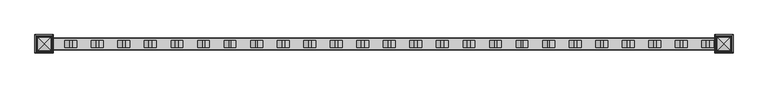
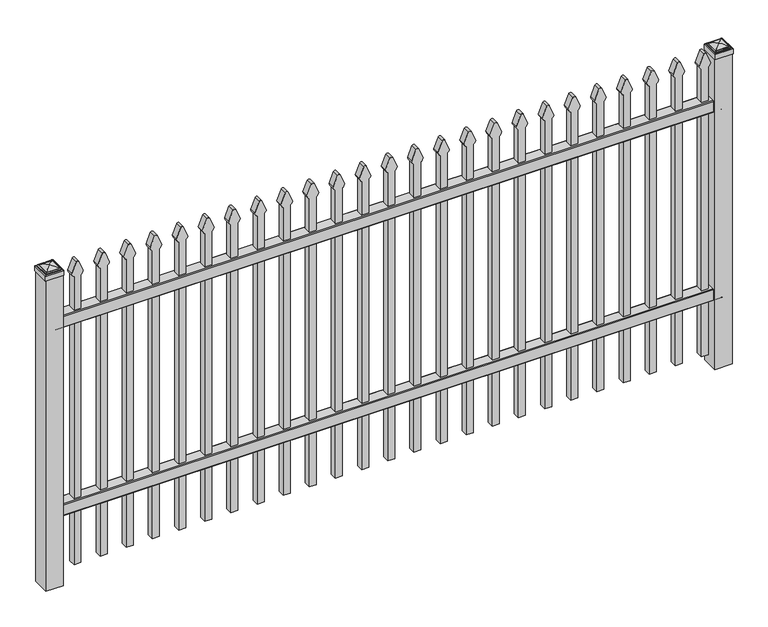
"""IFC4 building model written with IfcOpenShell, lengths in millimetres: railing geometry."""

from ifc_helpers import new_model, si_unit, point, frame, frame_2d, origin, origin_with_axes, place, context, project, spatial, polyline, circle_curve, ellipse_curve, trimmed, segment, composite_curve, outline, extrude, source, transform, mapped, element, save
from ifc_brep_helpers import plane_surface, cylinder_surface, advanced_brep


def railing_026a8ec8(model_context):
    return source(origin(), model_context, "Body", "SolidModel", [
        extrude(outline(composite_curve([segment(polyline([(13397.9139761, 304.8), (13435.969541, 304.8)]), True, "CONTINUOUS"), segment(trimmed(circle_curve(frame_2d((13435.969541, 301.625)), 3.175), [point((13435.969541, 304.8))], [point((13439.144541, 301.625))], False, "CARTESIAN"), True, "CONTINUOUS"), segment(polyline([(13439.144541, 301.625), (13439.144541, 262.1439893)]), True, "CONTINUOUS"), segment(trimmed(circle_curve(frame_2d((13437.3505518, 262.1439893)), 1.7939893), [point((13439.144541, 262.1439893))], [point((13437.3505518, 260.35))], False, "CARTESIAN"), True, "CONTINUOUS"), segment(polyline([(13437.3505518, 260.35), (13434.7590713, 260.35)]), True, "CONTINUOUS"), segment(trimmed(circle_curve(frame_2d((13434.7590713, 262.1359375)), 1.7859375), [point((13434.7590713, 260.35))], [point((13432.9755813, 262.0424688))], False, "CARTESIAN"), True, "CONTINUOUS"), segment(polyline([(13432.9755813, 262.0424688), (13431.4025867, 292.0569942), (13402.4364954, 292.0569942), (13400.8635007, 262.0424688)]), True, "CONTINUOUS"), segment(trimmed(circle_curve(frame_2d((13399.0800108, 262.1359375)), 1.7859375), [point((13400.8635007, 262.0424688))], [point((13399.0800108, 260.35))], False, "CARTESIAN"), True, "CONTINUOUS"), segment(polyline([(13399.0800108, 260.35), (13396.4804785, 260.35)]), True, "CONTINUOUS"), segment(trimmed(circle_curve(frame_2d((13396.4804785, 262.1359375)), 1.7859375), [point((13396.4804785, 260.35))], [point((13394.694541, 262.1359375))], False, "CARTESIAN"), True, "CONTINUOUS"), segment(polyline([(13394.694541, 262.1359375), (13394.694541, 301.5805649)]), True, "CONTINUOUS"), segment(trimmed(circle_curve(frame_2d((13397.9139761, 301.5805649)), 3.2194351), [point((13394.694541, 301.5805649))], [point((13397.9139761, 304.8))], False, "CARTESIAN"), True, "CONTINUOUS")], self_intersect=False)), frame((-33015.4649936, 0.0, 0.0), z_axis=(1.0, 0.0, 0.0), x_axis=(0.0, 1.0, 0.0)), (0.0, 0.0, 1.0), 2438.4),
        extrude(outline(composite_curve([segment(polyline([(13397.9139761, 1030.2875), (13435.969541, 1030.2875)]), True, "CONTINUOUS"), segment(trimmed(circle_curve(frame_2d((13435.969541, 1027.1125)), 3.175), [point((13435.969541, 1030.2875))], [point((13439.144541, 1027.1125))], False, "CARTESIAN"), True, "CONTINUOUS"), segment(polyline([(13439.144541, 1027.1125), (13439.144541, 987.6314893)]), True, "CONTINUOUS"), segment(trimmed(circle_curve(frame_2d((13437.3505518, 987.6314893)), 1.7939893), [point((13439.144541, 987.6314893))], [point((13437.3505518, 985.8375))], False, "CARTESIAN"), True, "CONTINUOUS"), segment(polyline([(13437.3505518, 985.8375), (13434.7590713, 985.8375)]), True, "CONTINUOUS"), segment(trimmed(circle_curve(frame_2d((13434.7590713, 987.6234375)), 1.7859375), [point((13434.7590713, 985.8375))], [point((13432.9755813, 987.5299688))], False, "CARTESIAN"), True, "CONTINUOUS"), segment(polyline([(13432.9755813, 987.5299688), (13431.4025867, 1017.5444942), (13402.4364954, 1017.5444942), (13400.8635007, 987.5299688)]), True, "CONTINUOUS"), segment(trimmed(circle_curve(frame_2d((13399.0800108, 987.6234375)), 1.7859375), [point((13400.8635007, 987.5299688))], [point((13399.0800108, 985.8375))], False, "CARTESIAN"), True, "CONTINUOUS"), segment(polyline([(13399.0800108, 985.8375), (13396.4804785, 985.8375)]), True, "CONTINUOUS"), segment(trimmed(circle_curve(frame_2d((13396.4804785, 987.6234375)), 1.7859375), [point((13396.4804785, 985.8375))], [point((13394.694541, 987.6234375))], False, "CARTESIAN"), True, "CONTINUOUS"), segment(polyline([(13394.694541, 987.6234375), (13394.694541, 1027.0680649)]), True, "CONTINUOUS"), segment(trimmed(circle_curve(frame_2d((13397.9139761, 1027.0680649)), 3.2194351), [point((13394.694541, 1027.0680649))], [point((13397.9139761, 1030.2875))], False, "CARTESIAN"), True, "CONTINUOUS")], self_intersect=False)), frame((-33015.4649936, 0.0, 0.0), z_axis=(1.0, 0.0, 0.0), x_axis=(0.0, 1.0, 0.0)), (0.0, 0.0, 1.0), 2438.4),
        extrude(outline(composite_curve([segment(polyline([(1159.8798417, -30646.9149936), (50.8, -30646.9149936), (50.8, -30621.5149936), (1159.6579232, -30621.5149936)]), True, "CONTINUOUS"), segment(trimmed(circle_curve(frame_2d((1178.1299402, -30635.3872336)), 23.1009622), [point((1159.6579232, -30621.5149936))], [point((1172.6676176, -30612.9413545))], False, "CARTESIAN"), True, "CONTINUOUS"), segment(polyline([(1172.6676176, -30612.9413545), (1213.1555225, -30629.2605644)]), True, "CONTINUOUS"), segment(trimmed(circle_curve(frame_2d((1210.0045804, -30634.3905764)), 6.0204202), [point((1213.1555225, -30629.2605644))], [point((1213.1555225, -30639.5205884))], False, "CARTESIAN"), True, "CONTINUOUS"), segment(polyline([(1213.1555225, -30639.5205884), (1173.9339948, -30655.4687724)]), True, "CONTINUOUS"), segment(trimmed(circle_curve(frame_2d((1178.1299402, -30632.7520716)), 23.1009622), [point((1173.9339948, -30655.4687724))], [point((1159.8798417, -30646.9149936))], False, "CARTESIAN"), True, "CONTINUOUS")], self_intersect=False)), frame((0.0, 13404.219541, 0.0), z_axis=(0.0, 1.0, 0.0), x_axis=(0.0, 0.0, 1.0)), (0.0, 0.0, 1.0), 25.4),
        extrude(outline(composite_curve([segment(polyline([(1159.8798417, -30742.1649936), (50.8, -30742.1649936), (50.8, -30716.7649936), (1159.6579232, -30716.7649936)]), True, "CONTINUOUS"), segment(trimmed(circle_curve(frame_2d((1178.1299402, -30730.6372336)), 23.1009622), [point((1159.6579232, -30716.7649936))], [point((1172.6676176, -30708.1913545))], False, "CARTESIAN"), True, "CONTINUOUS"), segment(polyline([(1172.6676176, -30708.1913545), (1213.1555225, -30724.5105644)]), True, "CONTINUOUS"), segment(trimmed(circle_curve(frame_2d((1210.0045804, -30729.6405764)), 6.0204202), [point((1213.1555225, -30724.5105644))], [point((1213.1555225, -30734.7705884))], False, "CARTESIAN"), True, "CONTINUOUS"), segment(polyline([(1213.1555225, -30734.7705884), (1173.9339948, -30750.7187724)]), True, "CONTINUOUS"), segment(trimmed(circle_curve(frame_2d((1178.1299402, -30728.0020716)), 23.1009622), [point((1173.9339948, -30750.7187724))], [point((1159.8798417, -30742.1649936))], False, "CARTESIAN"), True, "CONTINUOUS")], self_intersect=False)), frame((0.0, 13404.219541, 0.0), z_axis=(0.0, 1.0, 0.0), x_axis=(0.0, 0.0, 1.0)), (0.0, 0.0, 1.0), 25.4),
        extrude(outline(composite_curve([segment(polyline([(1159.8798417, -30837.4149936), (50.8, -30837.4149936), (50.8, -30812.0149936), (1159.6579232, -30812.0149936)]), True, "CONTINUOUS"), segment(trimmed(circle_curve(frame_2d((1178.1299402, -30825.8872336)), 23.1009622), [point((1159.6579232, -30812.0149936))], [point((1172.6676176, -30803.4413545))], False, "CARTESIAN"), True, "CONTINUOUS"), segment(polyline([(1172.6676176, -30803.4413545), (1213.1555225, -30819.7605644)]), True, "CONTINUOUS"), segment(trimmed(circle_curve(frame_2d((1210.0045804, -30824.8905764)), 6.0204202), [point((1213.1555225, -30819.7605644))], [point((1213.1555225, -30830.0205884))], False, "CARTESIAN"), True, "CONTINUOUS"), segment(polyline([(1213.1555225, -30830.0205884), (1173.9339948, -30845.9687724)]), True, "CONTINUOUS"), segment(trimmed(circle_curve(frame_2d((1178.1299402, -30823.2520716)), 23.1009622), [point((1173.9339948, -30845.9687724))], [point((1159.8798417, -30837.4149936))], False, "CARTESIAN"), True, "CONTINUOUS")], self_intersect=False)), frame((0.0, 13404.219541, 0.0), z_axis=(0.0, 1.0, 0.0), x_axis=(0.0, 0.0, 1.0)), (0.0, 0.0, 1.0), 25.4),
        extrude(outline(composite_curve([segment(polyline([(1159.8798417, -30932.6649936), (50.8, -30932.6649936), (50.8, -30907.2649936), (1159.6579232, -30907.2649936)]), True, "CONTINUOUS"), segment(trimmed(circle_curve(frame_2d((1178.1299402, -30921.1372336)), 23.1009622), [point((1159.6579232, -30907.2649936))], [point((1172.6676176, -30898.6913545))], False, "CARTESIAN"), True, "CONTINUOUS"), segment(polyline([(1172.6676176, -30898.6913545), (1213.1555225, -30915.0105644)]), True, "CONTINUOUS"), segment(trimmed(circle_curve(frame_2d((1210.0045804, -30920.1405764)), 6.0204202), [point((1213.1555225, -30915.0105644))], [point((1213.1555225, -30925.2705884))], False, "CARTESIAN"), True, "CONTINUOUS"), segment(polyline([(1213.1555225, -30925.2705884), (1173.9339948, -30941.2187724)]), True, "CONTINUOUS"), segment(trimmed(circle_curve(frame_2d((1178.1299402, -30918.5020716)), 23.1009622), [point((1173.9339948, -30941.2187724))], [point((1159.8798417, -30932.6649936))], False, "CARTESIAN"), True, "CONTINUOUS")], self_intersect=False)), frame((0.0, 13404.219541, 0.0), z_axis=(0.0, 1.0, 0.0), x_axis=(0.0, 0.0, 1.0)), (0.0, 0.0, 1.0), 25.4),
        extrude(outline(composite_curve([segment(polyline([(1159.8798417, -31027.9149936), (50.8, -31027.9149936), (50.8, -31002.5149936), (1159.6579232, -31002.5149936)]), True, "CONTINUOUS"), segment(trimmed(circle_curve(frame_2d((1178.1299402, -31016.3872336)), 23.1009622), [point((1159.6579232, -31002.5149936))], [point((1172.6676176, -30993.9413545))], False, "CARTESIAN"), True, "CONTINUOUS"), segment(polyline([(1172.6676176, -30993.9413545), (1213.1555225, -31010.2605644)]), True, "CONTINUOUS"), segment(trimmed(circle_curve(frame_2d((1210.0045804, -31015.3905764)), 6.0204202), [point((1213.1555225, -31010.2605644))], [point((1213.1555225, -31020.5205884))], False, "CARTESIAN"), True, "CONTINUOUS"), segment(polyline([(1213.1555225, -31020.5205884), (1173.9339948, -31036.4687724)]), True, "CONTINUOUS"), segment(trimmed(circle_curve(frame_2d((1178.1299402, -31013.7520716)), 23.1009622), [point((1173.9339948, -31036.4687724))], [point((1159.8798417, -31027.9149936))], False, "CARTESIAN"), True, "CONTINUOUS")], self_intersect=False)), frame((0.0, 13404.219541, 0.0), z_axis=(0.0, 1.0, 0.0), x_axis=(0.0, 0.0, 1.0)), (0.0, 0.0, 1.0), 25.4),
        extrude(outline(composite_curve([segment(polyline([(1159.8798417, -31123.1649936), (50.8, -31123.1649936), (50.8, -31097.7649936), (1159.6579232, -31097.7649936)]), True, "CONTINUOUS"), segment(trimmed(circle_curve(frame_2d((1178.1299402, -31111.6372336)), 23.1009622), [point((1159.6579232, -31097.7649936))], [point((1172.6676176, -31089.1913545))], False, "CARTESIAN"), True, "CONTINUOUS"), segment(polyline([(1172.6676176, -31089.1913545), (1213.1555225, -31105.5105644)]), True, "CONTINUOUS"), segment(trimmed(circle_curve(frame_2d((1210.0045804, -31110.6405764)), 6.0204202), [point((1213.1555225, -31105.5105644))], [point((1213.1555225, -31115.7705884))], False, "CARTESIAN"), True, "CONTINUOUS"), segment(polyline([(1213.1555225, -31115.7705884), (1173.9339948, -31131.7187724)]), True, "CONTINUOUS"), segment(trimmed(circle_curve(frame_2d((1178.1299402, -31109.0020716)), 23.1009622), [point((1173.9339948, -31131.7187724))], [point((1159.8798417, -31123.1649936))], False, "CARTESIAN"), True, "CONTINUOUS")], self_intersect=False)), frame((0.0, 13404.219541, 0.0), z_axis=(0.0, 1.0, 0.0), x_axis=(0.0, 0.0, 1.0)), (0.0, 0.0, 1.0), 25.4),
        extrude(outline(composite_curve([segment(polyline([(1159.8798417, -31218.4149936), (50.8, -31218.4149936), (50.8, -31193.0149936), (1159.6579232, -31193.0149936)]), True, "CONTINUOUS"), segment(trimmed(circle_curve(frame_2d((1178.1299402, -31206.8872336)), 23.1009622), [point((1159.6579232, -31193.0149936))], [point((1172.6676176, -31184.4413545))], False, "CARTESIAN"), True, "CONTINUOUS"), segment(polyline([(1172.6676176, -31184.4413545), (1213.1555225, -31200.7605644)]), True, "CONTINUOUS"), segment(trimmed(circle_curve(frame_2d((1210.0045804, -31205.8905764)), 6.0204202), [point((1213.1555225, -31200.7605644))], [point((1213.1555225, -31211.0205884))], False, "CARTESIAN"), True, "CONTINUOUS"), segment(polyline([(1213.1555225, -31211.0205884), (1173.9339948, -31226.9687724)]), True, "CONTINUOUS"), segment(trimmed(circle_curve(frame_2d((1178.1299402, -31204.2520716)), 23.1009622), [point((1173.9339948, -31226.9687724))], [point((1159.8798417, -31218.4149936))], False, "CARTESIAN"), True, "CONTINUOUS")], self_intersect=False)), frame((0.0, 13404.219541, 0.0), z_axis=(0.0, 1.0, 0.0), x_axis=(0.0, 0.0, 1.0)), (0.0, 0.0, 1.0), 25.4),
        extrude(outline(composite_curve([segment(polyline([(1159.8798417, -31313.6649936), (50.8, -31313.6649936), (50.8, -31288.2649936), (1159.6579232, -31288.2649936)]), True, "CONTINUOUS"), segment(trimmed(circle_curve(frame_2d((1178.1299402, -31302.1372336)), 23.1009622), [point((1159.6579232, -31288.2649936))], [point((1172.6676176, -31279.6913545))], False, "CARTESIAN"), True, "CONTINUOUS"), segment(polyline([(1172.6676176, -31279.6913545), (1213.1555225, -31296.0105644)]), True, "CONTINUOUS"), segment(trimmed(circle_curve(frame_2d((1210.0045804, -31301.1405764)), 6.0204202), [point((1213.1555225, -31296.0105644))], [point((1213.1555225, -31306.2705884))], False, "CARTESIAN"), True, "CONTINUOUS"), segment(polyline([(1213.1555225, -31306.2705884), (1173.9339948, -31322.2187724)]), True, "CONTINUOUS"), segment(trimmed(circle_curve(frame_2d((1178.1299402, -31299.5020716)), 23.1009622), [point((1173.9339948, -31322.2187724))], [point((1159.8798417, -31313.6649936))], False, "CARTESIAN"), True, "CONTINUOUS")], self_intersect=False)), frame((0.0, 13404.219541, 0.0), z_axis=(0.0, 1.0, 0.0), x_axis=(0.0, 0.0, 1.0)), (0.0, 0.0, 1.0), 25.4),
        extrude(outline(composite_curve([segment(polyline([(1159.8798417, -31408.9149936), (50.8, -31408.9149936), (50.8, -31383.5149936), (1159.6579232, -31383.5149936)]), True, "CONTINUOUS"), segment(trimmed(circle_curve(frame_2d((1178.1299402, -31397.3872336)), 23.1009622), [point((1159.6579232, -31383.5149936))], [point((1172.6676176, -31374.9413545))], False, "CARTESIAN"), True, "CONTINUOUS"), segment(polyline([(1172.6676176, -31374.9413545), (1213.1555225, -31391.2605644)]), True, "CONTINUOUS"), segment(trimmed(circle_curve(frame_2d((1210.0045804, -31396.3905764)), 6.0204202), [point((1213.1555225, -31391.2605644))], [point((1213.1555225, -31401.5205884))], False, "CARTESIAN"), True, "CONTINUOUS"), segment(polyline([(1213.1555225, -31401.5205884), (1173.9339948, -31417.4687724)]), True, "CONTINUOUS"), segment(trimmed(circle_curve(frame_2d((1178.1299402, -31394.7520716)), 23.1009622), [point((1173.9339948, -31417.4687724))], [point((1159.8798417, -31408.9149936))], False, "CARTESIAN"), True, "CONTINUOUS")], self_intersect=False)), frame((0.0, 13404.219541, 0.0), z_axis=(0.0, 1.0, 0.0), x_axis=(0.0, 0.0, 1.0)), (0.0, 0.0, 1.0), 25.4),
        extrude(outline(composite_curve([segment(polyline([(1159.8798417, -31504.1649936), (50.8, -31504.1649936), (50.8, -31478.7649936), (1159.6579232, -31478.7649936)]), True, "CONTINUOUS"), segment(trimmed(circle_curve(frame_2d((1178.1299402, -31492.6372336)), 23.1009622), [point((1159.6579232, -31478.7649936))], [point((1172.6676176, -31470.1913545))], False, "CARTESIAN"), True, "CONTINUOUS"), segment(polyline([(1172.6676176, -31470.1913545), (1213.1555225, -31486.5105644)]), True, "CONTINUOUS"), segment(trimmed(circle_curve(frame_2d((1210.0045804, -31491.6405764)), 6.0204202), [point((1213.1555225, -31486.5105644))], [point((1213.1555225, -31496.7705884))], False, "CARTESIAN"), True, "CONTINUOUS"), segment(polyline([(1213.1555225, -31496.7705884), (1173.9339948, -31512.7187724)]), True, "CONTINUOUS"), segment(trimmed(circle_curve(frame_2d((1178.1299402, -31490.0020716)), 23.1009622), [point((1173.9339948, -31512.7187724))], [point((1159.8798417, -31504.1649936))], False, "CARTESIAN"), True, "CONTINUOUS")], self_intersect=False)), frame((0.0, 13404.219541, 0.0), z_axis=(0.0, 1.0, 0.0), x_axis=(0.0, 0.0, 1.0)), (0.0, 0.0, 1.0), 25.4),
        extrude(outline(composite_curve([segment(polyline([(1159.8798417, -31599.4149936), (50.8, -31599.4149936), (50.8, -31574.0149936), (1159.6579232, -31574.0149936)]), True, "CONTINUOUS"), segment(trimmed(circle_curve(frame_2d((1178.1299402, -31587.8872336)), 23.1009622), [point((1159.6579232, -31574.0149936))], [point((1172.6676176, -31565.4413545))], False, "CARTESIAN"), True, "CONTINUOUS"), segment(polyline([(1172.6676176, -31565.4413545), (1213.1555225, -31581.7605644)]), True, "CONTINUOUS"), segment(trimmed(circle_curve(frame_2d((1210.0045804, -31586.8905764)), 6.0204202), [point((1213.1555225, -31581.7605644))], [point((1213.1555225, -31592.0205884))], False, "CARTESIAN"), True, "CONTINUOUS"), segment(polyline([(1213.1555225, -31592.0205884), (1173.9339948, -31607.9687724)]), True, "CONTINUOUS"), segment(trimmed(circle_curve(frame_2d((1178.1299402, -31585.2520716)), 23.1009622), [point((1173.9339948, -31607.9687724))], [point((1159.8798417, -31599.4149936))], False, "CARTESIAN"), True, "CONTINUOUS")], self_intersect=False)), frame((0.0, 13404.219541, 0.0), z_axis=(0.0, 1.0, 0.0), x_axis=(0.0, 0.0, 1.0)), (0.0, 0.0, 1.0), 25.4),
        extrude(outline(composite_curve([segment(polyline([(1159.8798417, -31694.6649936), (50.8, -31694.6649936), (50.8, -31669.2649936), (1159.6579232, -31669.2649936)]), True, "CONTINUOUS"), segment(trimmed(circle_curve(frame_2d((1178.1299402, -31683.1372336)), 23.1009622), [point((1159.6579232, -31669.2649936))], [point((1172.6676176, -31660.6913545))], False, "CARTESIAN"), True, "CONTINUOUS"), segment(polyline([(1172.6676176, -31660.6913545), (1213.1555225, -31677.0105644)]), True, "CONTINUOUS"), segment(trimmed(circle_curve(frame_2d((1210.0045804, -31682.1405764)), 6.0204202), [point((1213.1555225, -31677.0105644))], [point((1213.1555225, -31687.2705884))], False, "CARTESIAN"), True, "CONTINUOUS"), segment(polyline([(1213.1555225, -31687.2705884), (1173.9339948, -31703.2187724)]), True, "CONTINUOUS"), segment(trimmed(circle_curve(frame_2d((1178.1299402, -31680.5020716)), 23.1009622), [point((1173.9339948, -31703.2187724))], [point((1159.8798417, -31694.6649936))], False, "CARTESIAN"), True, "CONTINUOUS")], self_intersect=False)), frame((0.0, 13404.219541, 0.0), z_axis=(0.0, 1.0, 0.0), x_axis=(0.0, 0.0, 1.0)), (0.0, 0.0, 1.0), 25.4),
        extrude(outline(composite_curve([segment(polyline([(1159.8798417, -31789.9149936), (50.8, -31789.9149936), (50.8, -31764.5149936), (1159.6579232, -31764.5149936)]), True, "CONTINUOUS"), segment(trimmed(circle_curve(frame_2d((1178.1299402, -31778.3872336)), 23.1009622), [point((1159.6579232, -31764.5149936))], [point((1172.6676176, -31755.9413545))], False, "CARTESIAN"), True, "CONTINUOUS"), segment(polyline([(1172.6676176, -31755.9413545), (1213.1555225, -31772.2605644)]), True, "CONTINUOUS"), segment(trimmed(circle_curve(frame_2d((1210.0045804, -31777.3905764)), 6.0204202), [point((1213.1555225, -31772.2605644))], [point((1213.1555225, -31782.5205884))], False, "CARTESIAN"), True, "CONTINUOUS"), segment(polyline([(1213.1555225, -31782.5205884), (1173.9339948, -31798.4687724)]), True, "CONTINUOUS"), segment(trimmed(circle_curve(frame_2d((1178.1299402, -31775.7520716)), 23.1009622), [point((1173.9339948, -31798.4687724))], [point((1159.8798417, -31789.9149936))], False, "CARTESIAN"), True, "CONTINUOUS")], self_intersect=False)), frame((0.0, 13404.219541, 0.0), z_axis=(0.0, 1.0, 0.0), x_axis=(0.0, 0.0, 1.0)), (0.0, 0.0, 1.0), 25.4),
        extrude(outline(composite_curve([segment(polyline([(1159.8798417, -31885.1649936), (50.8, -31885.1649936), (50.8, -31859.7649936), (1159.6579232, -31859.7649936)]), True, "CONTINUOUS"), segment(trimmed(circle_curve(frame_2d((1178.1299402, -31873.6372336)), 23.1009622), [point((1159.6579232, -31859.7649936))], [point((1172.6676176, -31851.1913545))], False, "CARTESIAN"), True, "CONTINUOUS"), segment(polyline([(1172.6676176, -31851.1913545), (1213.1555225, -31867.5105644)]), True, "CONTINUOUS"), segment(trimmed(circle_curve(frame_2d((1210.0045804, -31872.6405764)), 6.0204202), [point((1213.1555225, -31867.5105644))], [point((1213.1555225, -31877.7705884))], False, "CARTESIAN"), True, "CONTINUOUS"), segment(polyline([(1213.1555225, -31877.7705884), (1173.9339948, -31893.7187724)]), True, "CONTINUOUS"), segment(trimmed(circle_curve(frame_2d((1178.1299402, -31871.0020716)), 23.1009622), [point((1173.9339948, -31893.7187724))], [point((1159.8798417, -31885.1649936))], False, "CARTESIAN"), True, "CONTINUOUS")], self_intersect=False)), frame((0.0, 13404.219541, 0.0), z_axis=(0.0, 1.0, 0.0), x_axis=(0.0, 0.0, 1.0)), (0.0, 0.0, 1.0), 25.4),
        extrude(outline(composite_curve([segment(polyline([(1159.8798417, -31980.4149936), (50.8, -31980.4149936), (50.8, -31955.0149936), (1159.6579232, -31955.0149936)]), True, "CONTINUOUS"), segment(trimmed(circle_curve(frame_2d((1178.1299402, -31968.8872336)), 23.1009622), [point((1159.6579232, -31955.0149936))], [point((1172.6676176, -31946.4413545))], False, "CARTESIAN"), True, "CONTINUOUS"), segment(polyline([(1172.6676176, -31946.4413545), (1213.1555225, -31962.7605644)]), True, "CONTINUOUS"), segment(trimmed(circle_curve(frame_2d((1210.0045804, -31967.8905764)), 6.0204202), [point((1213.1555225, -31962.7605644))], [point((1213.1555225, -31973.0205884))], False, "CARTESIAN"), True, "CONTINUOUS"), segment(polyline([(1213.1555225, -31973.0205884), (1173.9339948, -31988.9687724)]), True, "CONTINUOUS"), segment(trimmed(circle_curve(frame_2d((1178.1299402, -31966.2520716)), 23.1009622), [point((1173.9339948, -31988.9687724))], [point((1159.8798417, -31980.4149936))], False, "CARTESIAN"), True, "CONTINUOUS")], self_intersect=False)), frame((0.0, 13404.219541, 0.0), z_axis=(0.0, 1.0, 0.0), x_axis=(0.0, 0.0, 1.0)), (0.0, 0.0, 1.0), 25.4),
        extrude(outline(composite_curve([segment(polyline([(1159.8798417, -32075.6649936), (50.8, -32075.6649936), (50.8, -32050.2649936), (1159.6579232, -32050.2649936)]), True, "CONTINUOUS"), segment(trimmed(circle_curve(frame_2d((1178.1299402, -32064.1372336)), 23.1009622), [point((1159.6579232, -32050.2649936))], [point((1172.6676176, -32041.6913545))], False, "CARTESIAN"), True, "CONTINUOUS"), segment(polyline([(1172.6676176, -32041.6913545), (1213.1555225, -32058.0105644)]), True, "CONTINUOUS"), segment(trimmed(circle_curve(frame_2d((1210.0045804, -32063.1405764)), 6.0204202), [point((1213.1555225, -32058.0105644))], [point((1213.1555225, -32068.2705884))], False, "CARTESIAN"), True, "CONTINUOUS"), segment(polyline([(1213.1555225, -32068.2705884), (1173.9339948, -32084.2187724)]), True, "CONTINUOUS"), segment(trimmed(circle_curve(frame_2d((1178.1299402, -32061.5020716)), 23.1009622), [point((1173.9339948, -32084.2187724))], [point((1159.8798417, -32075.6649936))], False, "CARTESIAN"), True, "CONTINUOUS")], self_intersect=False)), frame((0.0, 13404.219541, 0.0), z_axis=(0.0, 1.0, 0.0), x_axis=(0.0, 0.0, 1.0)), (0.0, 0.0, 1.0), 25.4),
        extrude(outline(composite_curve([segment(polyline([(1159.8798417, -32170.9149936), (50.8, -32170.9149936), (50.8, -32145.5149936), (1159.6579232, -32145.5149936)]), True, "CONTINUOUS"), segment(trimmed(circle_curve(frame_2d((1178.1299402, -32159.3872336)), 23.1009622), [point((1159.6579232, -32145.5149936))], [point((1172.6676176, -32136.9413545))], False, "CARTESIAN"), True, "CONTINUOUS"), segment(polyline([(1172.6676176, -32136.9413545), (1213.1555225, -32153.2605644)]), True, "CONTINUOUS"), segment(trimmed(circle_curve(frame_2d((1210.0045804, -32158.3905764)), 6.0204202), [point((1213.1555225, -32153.2605644))], [point((1213.1555225, -32163.5205884))], False, "CARTESIAN"), True, "CONTINUOUS"), segment(polyline([(1213.1555225, -32163.5205884), (1173.9339948, -32179.4687724)]), True, "CONTINUOUS"), segment(trimmed(circle_curve(frame_2d((1178.1299402, -32156.7520716)), 23.1009622), [point((1173.9339948, -32179.4687724))], [point((1159.8798417, -32170.9149936))], False, "CARTESIAN"), True, "CONTINUOUS")], self_intersect=False)), frame((0.0, 13404.219541, 0.0), z_axis=(0.0, 1.0, 0.0), x_axis=(0.0, 0.0, 1.0)), (0.0, 0.0, 1.0), 25.4),
        extrude(outline(composite_curve([segment(polyline([(1159.8798417, -32266.1649936), (50.8, -32266.1649936), (50.8, -32240.7649936), (1159.6579232, -32240.7649936)]), True, "CONTINUOUS"), segment(trimmed(circle_curve(frame_2d((1178.1299402, -32254.6372336)), 23.1009622), [point((1159.6579232, -32240.7649936))], [point((1172.6676176, -32232.1913545))], False, "CARTESIAN"), True, "CONTINUOUS"), segment(polyline([(1172.6676176, -32232.1913545), (1213.1555225, -32248.5105644)]), True, "CONTINUOUS"), segment(trimmed(circle_curve(frame_2d((1210.0045804, -32253.6405764)), 6.0204202), [point((1213.1555225, -32248.5105644))], [point((1213.1555225, -32258.7705884))], False, "CARTESIAN"), True, "CONTINUOUS"), segment(polyline([(1213.1555225, -32258.7705884), (1173.9339948, -32274.7187724)]), True, "CONTINUOUS"), segment(trimmed(circle_curve(frame_2d((1178.1299402, -32252.0020716)), 23.1009622), [point((1173.9339948, -32274.7187724))], [point((1159.8798417, -32266.1649936))], False, "CARTESIAN"), True, "CONTINUOUS")], self_intersect=False)), frame((0.0, 13404.219541, 0.0), z_axis=(0.0, 1.0, 0.0), x_axis=(0.0, 0.0, 1.0)), (0.0, 0.0, 1.0), 25.4),
        extrude(outline(composite_curve([segment(polyline([(1159.8798417, -32361.4149936), (50.8, -32361.4149936), (50.8, -32336.0149936), (1159.6579232, -32336.0149936)]), True, "CONTINUOUS"), segment(trimmed(circle_curve(frame_2d((1178.1299402, -32349.8872336)), 23.1009622), [point((1159.6579232, -32336.0149936))], [point((1172.6676176, -32327.4413545))], False, "CARTESIAN"), True, "CONTINUOUS"), segment(polyline([(1172.6676176, -32327.4413545), (1213.1555225, -32343.7605644)]), True, "CONTINUOUS"), segment(trimmed(circle_curve(frame_2d((1210.0045804, -32348.8905764)), 6.0204202), [point((1213.1555225, -32343.7605644))], [point((1213.1555225, -32354.0205884))], False, "CARTESIAN"), True, "CONTINUOUS"), segment(polyline([(1213.1555225, -32354.0205884), (1173.9339948, -32369.9687724)]), True, "CONTINUOUS"), segment(trimmed(circle_curve(frame_2d((1178.1299402, -32347.2520716)), 23.1009622), [point((1173.9339948, -32369.9687724))], [point((1159.8798417, -32361.4149936))], False, "CARTESIAN"), True, "CONTINUOUS")], self_intersect=False)), frame((0.0, 13404.219541, 0.0), z_axis=(0.0, 1.0, 0.0), x_axis=(0.0, 0.0, 1.0)), (0.0, 0.0, 1.0), 25.4),
        extrude(outline(composite_curve([segment(polyline([(1159.8798417, -32456.6649936), (50.8, -32456.6649936), (50.8, -32431.2649936), (1159.6579232, -32431.2649936)]), True, "CONTINUOUS"), segment(trimmed(circle_curve(frame_2d((1178.1299402, -32445.1372336)), 23.1009622), [point((1159.6579232, -32431.2649936))], [point((1172.6676176, -32422.6913545))], False, "CARTESIAN"), True, "CONTINUOUS"), segment(polyline([(1172.6676176, -32422.6913545), (1213.1555225, -32439.0105644)]), True, "CONTINUOUS"), segment(trimmed(circle_curve(frame_2d((1210.0045804, -32444.1405764)), 6.0204202), [point((1213.1555225, -32439.0105644))], [point((1213.1555225, -32449.2705884))], False, "CARTESIAN"), True, "CONTINUOUS"), segment(polyline([(1213.1555225, -32449.2705884), (1173.9339948, -32465.2187724)]), True, "CONTINUOUS"), segment(trimmed(circle_curve(frame_2d((1178.1299402, -32442.5020716)), 23.1009622), [point((1173.9339948, -32465.2187724))], [point((1159.8798417, -32456.6649936))], False, "CARTESIAN"), True, "CONTINUOUS")], self_intersect=False)), frame((0.0, 13404.219541, 0.0), z_axis=(0.0, 1.0, 0.0), x_axis=(0.0, 0.0, 1.0)), (0.0, 0.0, 1.0), 25.4),
        extrude(outline(composite_curve([segment(polyline([(1159.8798417, -32551.9149936), (50.8, -32551.9149936), (50.8, -32526.5149936), (1159.6579232, -32526.5149936)]), True, "CONTINUOUS"), segment(trimmed(circle_curve(frame_2d((1178.1299402, -32540.3872336)), 23.1009622), [point((1159.6579232, -32526.5149936))], [point((1172.6676176, -32517.9413545))], False, "CARTESIAN"), True, "CONTINUOUS"), segment(polyline([(1172.6676176, -32517.9413545), (1213.1555225, -32534.2605644)]), True, "CONTINUOUS"), segment(trimmed(circle_curve(frame_2d((1210.0045804, -32539.3905764)), 6.0204202), [point((1213.1555225, -32534.2605644))], [point((1213.1555225, -32544.5205884))], False, "CARTESIAN"), True, "CONTINUOUS"), segment(polyline([(1213.1555225, -32544.5205884), (1173.9339948, -32560.4687724)]), True, "CONTINUOUS"), segment(trimmed(circle_curve(frame_2d((1178.1299402, -32537.7520716)), 23.1009622), [point((1173.9339948, -32560.4687724))], [point((1159.8798417, -32551.9149936))], False, "CARTESIAN"), True, "CONTINUOUS")], self_intersect=False)), frame((0.0, 13404.219541, 0.0), z_axis=(0.0, 1.0, 0.0), x_axis=(0.0, 0.0, 1.0)), (0.0, 0.0, 1.0), 25.4),
        extrude(outline(composite_curve([segment(polyline([(1159.8798417, -32647.1649936), (50.8, -32647.1649936), (50.8, -32621.7649936), (1159.6579232, -32621.7649936)]), True, "CONTINUOUS"), segment(trimmed(circle_curve(frame_2d((1178.1299402, -32635.6372336)), 23.1009622), [point((1159.6579232, -32621.7649936))], [point((1172.6676176, -32613.1913545))], False, "CARTESIAN"), True, "CONTINUOUS"), segment(polyline([(1172.6676176, -32613.1913545), (1213.1555225, -32629.5105644)]), True, "CONTINUOUS"), segment(trimmed(circle_curve(frame_2d((1210.0045804, -32634.6405764)), 6.0204202), [point((1213.1555225, -32629.5105644))], [point((1213.1555225, -32639.7705884))], False, "CARTESIAN"), True, "CONTINUOUS"), segment(polyline([(1213.1555225, -32639.7705884), (1173.9339948, -32655.7187724)]), True, "CONTINUOUS"), segment(trimmed(circle_curve(frame_2d((1178.1299402, -32633.0020716)), 23.1009622), [point((1173.9339948, -32655.7187724))], [point((1159.8798417, -32647.1649936))], False, "CARTESIAN"), True, "CONTINUOUS")], self_intersect=False)), frame((0.0, 13404.219541, 0.0), z_axis=(0.0, 1.0, 0.0), x_axis=(0.0, 0.0, 1.0)), (0.0, 0.0, 1.0), 25.4),
        extrude(outline(composite_curve([segment(polyline([(1159.8798417, -32742.4149936), (50.8, -32742.4149936), (50.8, -32717.0149936), (1159.6579232, -32717.0149936)]), True, "CONTINUOUS"), segment(trimmed(circle_curve(frame_2d((1178.1299402, -32730.8872336)), 23.1009622), [point((1159.6579232, -32717.0149936))], [point((1172.6676176, -32708.4413545))], False, "CARTESIAN"), True, "CONTINUOUS"), segment(polyline([(1172.6676176, -32708.4413545), (1213.1555225, -32724.7605644)]), True, "CONTINUOUS"), segment(trimmed(circle_curve(frame_2d((1210.0045804, -32729.8905764)), 6.0204202), [point((1213.1555225, -32724.7605644))], [point((1213.1555225, -32735.0205884))], False, "CARTESIAN"), True, "CONTINUOUS"), segment(polyline([(1213.1555225, -32735.0205884), (1173.9339948, -32750.9687724)]), True, "CONTINUOUS"), segment(trimmed(circle_curve(frame_2d((1178.1299402, -32728.2520716)), 23.1009622), [point((1173.9339948, -32750.9687724))], [point((1159.8798417, -32742.4149936))], False, "CARTESIAN"), True, "CONTINUOUS")], self_intersect=False)), frame((0.0, 13404.219541, 0.0), z_axis=(0.0, 1.0, 0.0), x_axis=(0.0, 0.0, 1.0)), (0.0, 0.0, 1.0), 25.4),
        extrude(outline(composite_curve([segment(polyline([(1159.8798417, -32837.6649936), (50.8, -32837.6649936), (50.8, -32812.2649936), (1159.6579232, -32812.2649936)]), True, "CONTINUOUS"), segment(trimmed(circle_curve(frame_2d((1178.1299402, -32826.1372336)), 23.1009622), [point((1159.6579232, -32812.2649936))], [point((1172.6676176, -32803.6913545))], False, "CARTESIAN"), True, "CONTINUOUS"), segment(polyline([(1172.6676176, -32803.6913545), (1213.1555225, -32820.0105644)]), True, "CONTINUOUS"), segment(trimmed(circle_curve(frame_2d((1210.0045804, -32825.1405764)), 6.0204202), [point((1213.1555225, -32820.0105644))], [point((1213.1555225, -32830.2705884))], False, "CARTESIAN"), True, "CONTINUOUS"), segment(polyline([(1213.1555225, -32830.2705884), (1173.9339948, -32846.2187724)]), True, "CONTINUOUS"), segment(trimmed(circle_curve(frame_2d((1178.1299402, -32823.5020716)), 23.1009622), [point((1173.9339948, -32846.2187724))], [point((1159.8798417, -32837.6649936))], False, "CARTESIAN"), True, "CONTINUOUS")], self_intersect=False)), frame((0.0, 13404.219541, 0.0), z_axis=(0.0, 1.0, 0.0), x_axis=(0.0, 0.0, 1.0)), (0.0, 0.0, 1.0), 25.4),
        extrude(outline(composite_curve([segment(polyline([(1159.8798417, -32932.9149936), (50.8, -32932.9149936), (50.8, -32907.5149936), (1159.6579232, -32907.5149936)]), True, "CONTINUOUS"), segment(trimmed(circle_curve(frame_2d((1178.1299402, -32921.3872336)), 23.1009622), [point((1159.6579232, -32907.5149936))], [point((1172.6676176, -32898.9413545))], False, "CARTESIAN"), True, "CONTINUOUS"), segment(polyline([(1172.6676176, -32898.9413545), (1213.1555225, -32915.2605644)]), True, "CONTINUOUS"), segment(trimmed(circle_curve(frame_2d((1210.0045804, -32920.3905764)), 6.0204202), [point((1213.1555225, -32915.2605644))], [point((1213.1555225, -32925.5205884))], False, "CARTESIAN"), True, "CONTINUOUS"), segment(polyline([(1213.1555225, -32925.5205884), (1173.9339948, -32941.4687724)]), True, "CONTINUOUS"), segment(trimmed(circle_curve(frame_2d((1178.1299402, -32918.7520716)), 23.1009622), [point((1173.9339948, -32941.4687724))], [point((1159.8798417, -32932.9149936))], False, "CARTESIAN"), True, "CONTINUOUS")], self_intersect=False)), frame((0.0, 13404.219541, 0.0), z_axis=(0.0, 1.0, 0.0), x_axis=(0.0, 0.0, 1.0)), (0.0, 0.0, 1.0), 25.4),
        extrude(outline(polyline([(-30545.3149936, 13448.669541), (-30545.3149936, 13385.169541), (-30608.8149936, 13385.169541), (-30608.8149936, 13448.669541), (-30545.3149936, 13448.669541)])), origin_with_axes(), (0.0, 0.0, 1.0), 1195.3875),
        advanced_brep(
        [(-30610.4024936, 13450.257041, 1213.64375), (-30610.4024936, 13450.257041, 1195.3875), (-30610.4024936, 13383.582041, 1195.3875), (-30610.4024936, 13383.582041, 1213.64375), (-30608.0212436, 13447.875791, 1216.025), (-30608.0212436, 13385.963291, 1216.025), (-30605.6399936, 13445.494541, 1218.40625), (-30605.6399936, 13445.494541, 1216.025), (-30605.6399936, 13388.344541, 1216.025), (-30605.6399936, 13388.344541, 1218.40625), (-30603.2587436, 13443.113291, 1220.7875), (-30603.2587436, 13390.725791, 1220.7875), (-30577.0649936, 13416.919541, 1227.1375), (-30600.8774936, 13440.732041, 1220.7875), (-30600.8774936, 13393.107041, 1220.7875), (-30543.7274936, 13383.582041, 1195.3875), (-30543.7274936, 13383.582041, 1213.64375), (-30546.1087436, 13385.963291, 1216.025), (-30548.4899936, 13388.344541, 1216.025), (-30548.4899936, 13388.344541, 1218.40625), (-30550.8712436, 13390.725791, 1220.7875), (-30553.2524936, 13393.107041, 1220.7875), (-30543.7274936, 13450.257041, 1195.3875), (-30543.7274936, 13450.257041, 1213.64375), (-30546.1087436, 13447.875791, 1216.025), (-30548.4899936, 13445.494541, 1216.025), (-30548.4899936, 13445.494541, 1218.40625), (-30550.8712436, 13443.113291, 1220.7875), (-30553.2524936, 13440.732041, 1220.7875)],
        [
            (0, 1),
            (1, 2),
            (2, 3),
            (3, 0),
            (4, 0, ellipse_curve(frame((-30608.0212436, 13447.875791, 1213.64375), z_axis=(-0.70710678118655, -0.7071067811865449, 0.0), x_axis=(-0.7071067811865448, 0.7071067811865501, 0.0)), 3.367596, 2.38125)),
            (3, 5, ellipse_curve(frame((-30608.0212436, 13385.963291, 1213.64375), z_axis=(-0.7071067811865449, 0.70710678118655, 0.0), x_axis=(0.7071067811865499, 0.707106781186545, 0.0)), 3.367596, 2.38125)),
            (5, 4),
            (6, 7),
            (7, 8),
            (8, 9),
            (9, 6),
            (10, 6, ellipse_curve(frame((-30603.2587436, 13443.113291, 1218.40625), z_axis=(-0.70710678118655, -0.7071067811865449, 0.0), x_axis=(-0.7071067811865448, 0.7071067811865501, 0.0)), 3.367596, 2.38125)),
            (9, 11, ellipse_curve(frame((-30603.2587436, 13390.725791, 1218.40625), z_axis=(-0.7071067811865449, 0.70710678118655, 0.0), x_axis=(0.7071067811865499, 0.707106781186545, 0.0)), 3.367596, 2.38125)),
            (11, 10),
            (12, 13, ellipse_curve(frame((-30577.0649936, 13416.919541, 1179.3140625), z_axis=(-0.70710678118655, -0.7071067811865449, 0.0), x_axis=(-0.7071067811865448, 0.7071067811865501, 0.0)), 67.6325539, 47.8234375)),
            (13, 14),
            (14, 12, ellipse_curve(frame((-30577.0649936, 13416.919541, 1179.3140625), z_axis=(-0.7071067811865449, 0.70710678118655, 0.0), x_axis=(0.7071067811865499, 0.707106781186545, 0.0)), 67.6325539, 47.8234375)),
            (2, 15),
            (15, 16),
            (16, 3),
            (16, 17, ellipse_curve(frame((-30546.1087436, 13385.963291, 1213.64375), z_axis=(-0.70710678118655, -0.707106781186545, 0.0), x_axis=(-0.707106781186545, 0.70710678118655, 0.0)), 3.367596, 2.38125)),
            (17, 5),
            (8, 18),
            (18, 19),
            (19, 9),
            (19, 20, ellipse_curve(frame((-30550.8712436, 13390.725791, 1218.40625), z_axis=(-0.70710678118655, -0.707106781186545, 0.0), x_axis=(-0.707106781186545, 0.70710678118655, 0.0)), 3.367596, 2.38125)),
            (20, 11),
            (14, 21),
            (21, 12, ellipse_curve(frame((-30577.0649936, 13416.919541, 1179.3140625), z_axis=(-0.70710678118655, -0.707106781186545, 0.0), x_axis=(-0.707106781186545, 0.70710678118655, 0.0)), 67.6325539, 47.8234375)),
            (15, 22),
            (22, 23),
            (23, 16),
            (23, 24, ellipse_curve(frame((-30546.1087436, 13447.875791, 1213.64375), z_axis=(0.707106781186545, -0.7071067811865499, 0.0), x_axis=(-0.7071067811865497, -0.7071067811865452, 0.0)), 3.367596, 2.38125)),
            (24, 17),
            (18, 25),
            (25, 26),
            (26, 19),
            (26, 27, ellipse_curve(frame((-30550.8712436, 13443.113291, 1218.40625), z_axis=(0.707106781186545, -0.7071067811865499, 0.0), x_axis=(-0.7071067811865497, -0.7071067811865452, 0.0)), 3.367596, 2.38125)),
            (27, 20),
            (21, 28),
            (28, 12, ellipse_curve(frame((-30577.0649936, 13416.919541, 1179.3140625), z_axis=(0.707106781186545, -0.7071067811865499, 0.0), x_axis=(-0.7071067811865497, -0.7071067811865452, 0.0)), 67.6325539, 47.8234375)),
            (22, 1),
            (0, 23),
            (4, 24),
            (7, 25),
            (6, 26),
            (10, 27),
            (13, 28),
        ],
        [
            plane_surface(frame((-30610.4024936, 13450.257041, 1195.3875), z_axis=(-1.0, 0.0, 0.0), x_axis=(0.0, -1.0, 0.0))),
            cylinder_surface(frame((-30608.0212436, 13448.669541, 1213.64375), z_axis=(0.0, 1.0, 0.0), x_axis=(1.0, 0.0, 0.0)), 2.38125),
            plane_surface(frame((-30605.6399936, 13445.494541, 1216.025), z_axis=(-1.0, 0.0, 0.0), x_axis=(0.0, -1.0, 0.0))),
            cylinder_surface(frame((-30603.2587436, 13448.669541, 1218.40625), z_axis=(0.0, 1.0, 0.0), x_axis=(1.0, 0.0, 0.0)), 2.38125),
            cylinder_surface(frame((-30577.0649936, 13448.669541, 1179.3140625), z_axis=(0.0, 1.0, 0.0), x_axis=(1.0, 0.0, 0.0)), 47.8234375),
            plane_surface(frame((-30610.4024936, 13383.582041, 1195.3875), z_axis=(0.0, -1.0, 0.0), x_axis=(1.0, 0.0, 0.0))),
            cylinder_surface(frame((-30608.8149936, 13385.963291, 1213.64375), z_axis=(-1.0, 0.0, 0.0), x_axis=(0.0, 1.0, 0.0)), 2.38125),
            plane_surface(frame((-30605.6399936, 13388.344541, 1216.025), z_axis=(0.0, -1.0, 0.0), x_axis=(1.0, 0.0, 0.0))),
            cylinder_surface(frame((-30608.8149936, 13390.725791, 1218.40625), z_axis=(-1.0, 0.0, 0.0), x_axis=(0.0, 1.0, 0.0)), 2.38125),
            cylinder_surface(frame((-30608.8149936, 13416.919541, 1179.3140625), z_axis=(-1.0, 0.0, 0.0), x_axis=(0.0, 1.0, 0.0)), 47.8234375),
            plane_surface(frame((-30543.7274936, 13383.582041, 1195.3875), z_axis=(1.0, 0.0, 0.0), x_axis=(0.0, 1.0, 0.0))),
            cylinder_surface(frame((-30546.1087436, 13385.169541, 1213.64375), z_axis=(0.0, -1.0, 0.0), x_axis=(-1.0, 0.0, 0.0)), 2.38125),
            plane_surface(frame((-30548.4899936, 13388.344541, 1216.025), z_axis=(1.0, 0.0, 0.0), x_axis=(0.0, 1.0, 0.0))),
            cylinder_surface(frame((-30550.8712436, 13385.169541, 1218.40625), z_axis=(0.0, -1.0, 0.0), x_axis=(-1.0, 0.0, 0.0)), 2.38125),
            cylinder_surface(frame((-30577.0649936, 13385.169541, 1179.3140625), z_axis=(0.0, -1.0, 0.0), x_axis=(-1.0, 0.0, 0.0)), 47.8234375),
            plane_surface(frame((-30543.7274936, 13450.257041, 1195.3875), z_axis=(0.0, 1.0, 0.0), x_axis=(-1.0, 0.0, 0.0))),
            cylinder_surface(frame((-30545.3149936, 13447.875791, 1213.64375), z_axis=(1.0, 0.0, 0.0), x_axis=(0.0, -1.0, 0.0)), 2.38125),
            plane_surface(frame((-30546.1087436, 13447.875791, 1216.025), z_axis=(0.0, 0.0, 1.0), x_axis=(-1.0, 0.0, 0.0))),
            plane_surface(frame((-30548.4899936, 13445.494541, 1216.025), z_axis=(0.0, 1.0, 0.0), x_axis=(-1.0, 0.0, 0.0))),
            cylinder_surface(frame((-30545.3149936, 13443.113291, 1218.40625), z_axis=(1.0, 0.0, 0.0), x_axis=(0.0, -1.0, 0.0)), 2.38125),
            plane_surface(frame((-30550.8712436, 13443.113291, 1220.7875), z_axis=(0.0, 0.0, 1.0), x_axis=(-1.0, 0.0, 0.0))),
            cylinder_surface(frame((-30545.3149936, 13416.919541, 1179.3140625), z_axis=(1.0, 0.0, 0.0), x_axis=(0.0, -1.0, 0.0)), 47.8234375),
            plane_surface(frame((-30577.0649936, 13416.919541, 1195.3875), z_axis=(0.0, 0.0, -1.0), x_axis=(-1.0, 0.0, 0.0))),
        ],
        [
            (0, [[1, 2, 3, 4]]),
            (1, [[5, -4, 6, 7]]),
            (2, [[8, 9, 10, 11]]),
            (3, [[12, -11, 13, 14]]),
            (4, [[15, 16, 17]]),
            (5, [[-3, 18, 19, 20]]),
            (6, [[-6, -20, 21, 22]]),
            (7, [[-10, 23, 24, 25]]),
            (8, [[-13, -25, 26, 27]]),
            (9, [[-17, 28, 29]]),
            (10, [[-19, 30, 31, 32]]),
            (11, [[-21, -32, 33, 34]]),
            (12, [[-24, 35, 36, 37]]),
            (13, [[-26, -37, 38, 39]]),
            (14, [[-29, 40, 41]]),
            (15, [[-31, 42, -1, 43]]),
            (16, [[-33, -43, -5, 44]]),
            (17, [[-22, -34, -44, -7], [45, -35, -23, -9]]),
            (18, [[-36, -45, -8, 46]]),
            (19, [[-38, -46, -12, 47]]),
            (20, [[-27, -39, -47, -14], [48, -40, -28, -16]]),
            (21, [[-41, -48, -15]]),
            (22, [[-42, -30, -18, -2]]),
        ],
    ),
        extrude(outline(polyline([(-32983.7149936, 13448.669541), (-32983.7149936, 13385.169541), (-33047.2149936, 13385.169541), (-33047.2149936, 13448.669541), (-32983.7149936, 13448.669541)])), origin_with_axes(), (0.0, 0.0, 1.0), 1195.3875),
        advanced_brep(
        [(-33048.8024936, 13450.257041, 1213.64375), (-33048.8024936, 13450.257041, 1195.3875), (-33048.8024936, 13383.582041, 1195.3875), (-33048.8024936, 13383.582041, 1213.64375), (-33046.4212436, 13447.875791, 1216.025), (-33046.4212436, 13385.963291, 1216.025), (-33044.0399936, 13445.494541, 1218.40625), (-33044.0399936, 13445.494541, 1216.025), (-33044.0399936, 13388.344541, 1216.025), (-33044.0399936, 13388.344541, 1218.40625), (-33041.6587436, 13443.113291, 1220.7875), (-33041.6587436, 13390.725791, 1220.7875), (-33015.4649936, 13416.919541, 1227.1375), (-33039.2774936, 13440.732041, 1220.7875), (-33039.2774936, 13393.107041, 1220.7875), (-32982.1274936, 13383.582041, 1195.3875), (-32982.1274936, 13383.582041, 1213.64375), (-32984.5087436, 13385.963291, 1216.025), (-32986.8899936, 13388.344541, 1216.025), (-32986.8899936, 13388.344541, 1218.40625), (-32989.2712436, 13390.725791, 1220.7875), (-32991.6524936, 13393.107041, 1220.7875), (-32982.1274936, 13450.257041, 1195.3875), (-32982.1274936, 13450.257041, 1213.64375), (-32984.5087436, 13447.875791, 1216.025), (-32986.8899936, 13445.494541, 1216.025), (-32986.8899936, 13445.494541, 1218.40625), (-32989.2712436, 13443.113291, 1220.7875), (-32991.6524936, 13440.732041, 1220.7875)],
        [
            (0, 1),
            (1, 2),
            (2, 3),
            (3, 0),
            (4, 0, ellipse_curve(frame((-33046.4212436, 13447.875791, 1213.64375), z_axis=(-0.70710678118655, -0.7071067811865449, 0.0), x_axis=(-0.7071067811865448, 0.7071067811865501, 0.0)), 3.367596, 2.38125)),
            (3, 5, ellipse_curve(frame((-33046.4212436, 13385.963291, 1213.64375), z_axis=(-0.7071067811865449, 0.70710678118655, 0.0), x_axis=(0.7071067811865499, 0.707106781186545, 0.0)), 3.367596, 2.38125)),
            (5, 4),
            (6, 7),
            (7, 8),
            (8, 9),
            (9, 6),
            (10, 6, ellipse_curve(frame((-33041.6587436, 13443.113291, 1218.40625), z_axis=(-0.70710678118655, -0.7071067811865449, 0.0), x_axis=(-0.7071067811865448, 0.7071067811865501, 0.0)), 3.367596, 2.38125)),
            (9, 11, ellipse_curve(frame((-33041.6587436, 13390.725791, 1218.40625), z_axis=(-0.7071067811865449, 0.70710678118655, 0.0), x_axis=(0.7071067811865499, 0.707106781186545, 0.0)), 3.367596, 2.38125)),
            (11, 10),
            (12, 13, ellipse_curve(frame((-33015.4649936, 13416.919541, 1179.3140625), z_axis=(-0.70710678118655, -0.7071067811865449, 0.0), x_axis=(-0.7071067811865448, 0.7071067811865501, 0.0)), 67.6325539, 47.8234375)),
            (13, 14),
            (14, 12, ellipse_curve(frame((-33015.4649936, 13416.919541, 1179.3140625), z_axis=(-0.7071067811865449, 0.70710678118655, 0.0), x_axis=(0.7071067811865499, 0.707106781186545, 0.0)), 67.6325539, 47.8234375)),
            (2, 15),
            (15, 16),
            (16, 3),
            (16, 17, ellipse_curve(frame((-32984.5087436, 13385.963291, 1213.64375), z_axis=(-0.70710678118655, -0.707106781186545, 0.0), x_axis=(-0.707106781186545, 0.70710678118655, 0.0)), 3.367596, 2.38125)),
            (17, 5),
            (8, 18),
            (18, 19),
            (19, 9),
            (19, 20, ellipse_curve(frame((-32989.2712436, 13390.725791, 1218.40625), z_axis=(-0.70710678118655, -0.707106781186545, 0.0), x_axis=(-0.707106781186545, 0.70710678118655, 0.0)), 3.367596, 2.38125)),
            (20, 11),
            (14, 21),
            (21, 12, ellipse_curve(frame((-33015.4649936, 13416.919541, 1179.3140625), z_axis=(-0.70710678118655, -0.707106781186545, 0.0), x_axis=(-0.707106781186545, 0.70710678118655, 0.0)), 67.6325539, 47.8234375)),
            (15, 22),
            (22, 23),
            (23, 16),
            (23, 24, ellipse_curve(frame((-32984.5087436, 13447.875791, 1213.64375), z_axis=(0.707106781186545, -0.7071067811865499, 0.0), x_axis=(-0.7071067811865497, -0.7071067811865452, 0.0)), 3.367596, 2.38125)),
            (24, 17),
            (18, 25),
            (25, 26),
            (26, 19),
            (26, 27, ellipse_curve(frame((-32989.2712436, 13443.113291, 1218.40625), z_axis=(0.707106781186545, -0.7071067811865499, 0.0), x_axis=(-0.7071067811865497, -0.7071067811865452, 0.0)), 3.367596, 2.38125)),
            (27, 20),
            (21, 28),
            (28, 12, ellipse_curve(frame((-33015.4649936, 13416.919541, 1179.3140625), z_axis=(0.707106781186545, -0.7071067811865499, 0.0), x_axis=(-0.7071067811865497, -0.7071067811865452, 0.0)), 67.6325539, 47.8234375)),
            (22, 1),
            (0, 23),
            (4, 24),
            (7, 25),
            (6, 26),
            (10, 27),
            (13, 28),
        ],
        [
            plane_surface(frame((-33048.8024936, 13450.257041, 1195.3875), z_axis=(-1.0, 0.0, 0.0), x_axis=(0.0, -1.0, 0.0))),
            cylinder_surface(frame((-33046.4212436, 13448.669541, 1213.64375), z_axis=(0.0, 1.0, 0.0), x_axis=(1.0, 0.0, 0.0)), 2.38125),
            plane_surface(frame((-33044.0399936, 13445.494541, 1216.025), z_axis=(-1.0, 0.0, 0.0), x_axis=(0.0, -1.0, 0.0))),
            cylinder_surface(frame((-33041.6587436, 13448.669541, 1218.40625), z_axis=(0.0, 1.0, 0.0), x_axis=(1.0, 0.0, 0.0)), 2.38125),
            cylinder_surface(frame((-33015.4649936, 13448.669541, 1179.3140625), z_axis=(0.0, 1.0, 0.0), x_axis=(1.0, 0.0, 0.0)), 47.8234375),
            plane_surface(frame((-33048.8024936, 13383.582041, 1195.3875), z_axis=(0.0, -1.0, 0.0), x_axis=(1.0, 0.0, 0.0))),
            cylinder_surface(frame((-33047.2149936, 13385.963291, 1213.64375), z_axis=(-1.0, 0.0, 0.0), x_axis=(0.0, 1.0, 0.0)), 2.38125),
            plane_surface(frame((-33044.0399936, 13388.344541, 1216.025), z_axis=(0.0, -1.0, 0.0), x_axis=(1.0, 0.0, 0.0))),
            cylinder_surface(frame((-33047.2149936, 13390.725791, 1218.40625), z_axis=(-1.0, 0.0, 0.0), x_axis=(0.0, 1.0, 0.0)), 2.38125),
            cylinder_surface(frame((-33047.2149936, 13416.919541, 1179.3140625), z_axis=(-1.0, 0.0, 0.0), x_axis=(0.0, 1.0, 0.0)), 47.8234375),
            plane_surface(frame((-32982.1274936, 13383.582041, 1195.3875), z_axis=(1.0, 0.0, 0.0), x_axis=(0.0, 1.0, 0.0))),
            cylinder_surface(frame((-32984.5087436, 13385.169541, 1213.64375), z_axis=(0.0, -1.0, 0.0), x_axis=(-1.0, 0.0, 0.0)), 2.38125),
            plane_surface(frame((-32986.8899936, 13388.344541, 1216.025), z_axis=(1.0, 0.0, 0.0), x_axis=(0.0, 1.0, 0.0))),
            cylinder_surface(frame((-32989.2712436, 13385.169541, 1218.40625), z_axis=(0.0, -1.0, 0.0), x_axis=(-1.0, 0.0, 0.0)), 2.38125),
            cylinder_surface(frame((-33015.4649936, 13385.169541, 1179.3140625), z_axis=(0.0, -1.0, 0.0), x_axis=(-1.0, 0.0, 0.0)), 47.8234375),
            plane_surface(frame((-32982.1274936, 13450.257041, 1195.3875), z_axis=(0.0, 1.0, 0.0), x_axis=(-1.0, 0.0, 0.0))),
            cylinder_surface(frame((-32983.7149936, 13447.875791, 1213.64375), z_axis=(1.0, 0.0, 0.0), x_axis=(0.0, -1.0, 0.0)), 2.38125),
            plane_surface(frame((-32984.5087436, 13447.875791, 1216.025), z_axis=(0.0, 0.0, 1.0), x_axis=(-1.0, 0.0, 0.0))),
            plane_surface(frame((-32986.8899936, 13445.494541, 1216.025), z_axis=(0.0, 1.0, 0.0), x_axis=(-1.0, 0.0, 0.0))),
            cylinder_surface(frame((-32983.7149936, 13443.113291, 1218.40625), z_axis=(1.0, 0.0, 0.0), x_axis=(0.0, -1.0, 0.0)), 2.38125),
            plane_surface(frame((-32989.2712436, 13443.113291, 1220.7875), z_axis=(0.0, 0.0, 1.0), x_axis=(-1.0, 0.0, 0.0))),
            cylinder_surface(frame((-32983.7149936, 13416.919541, 1179.3140625), z_axis=(1.0, 0.0, 0.0), x_axis=(0.0, -1.0, 0.0)), 47.8234375),
            plane_surface(frame((-33015.4649936, 13416.919541, 1195.3875), z_axis=(0.0, 0.0, -1.0), x_axis=(-1.0, 0.0, 0.0))),
        ],
        [
            (0, [[1, 2, 3, 4]]),
            (1, [[5, -4, 6, 7]]),
            (2, [[8, 9, 10, 11]]),
            (3, [[12, -11, 13, 14]]),
            (4, [[15, 16, 17]]),
            (5, [[-3, 18, 19, 20]]),
            (6, [[-6, -20, 21, 22]]),
            (7, [[-10, 23, 24, 25]]),
            (8, [[-13, -25, 26, 27]]),
            (9, [[-17, 28, 29]]),
            (10, [[-19, 30, 31, 32]]),
            (11, [[-21, -32, 33, 34]]),
            (12, [[-24, 35, 36, 37]]),
            (13, [[-26, -37, 38, 39]]),
            (14, [[-29, 40, 41]]),
            (15, [[-31, 42, -1, 43]]),
            (16, [[-33, -43, -5, 44]]),
            (17, [[-22, -34, -44, -7], [45, -35, -23, -9]]),
            (18, [[-36, -45, -8, 46]]),
            (19, [[-38, -46, -12, 47]]),
            (20, [[-27, -39, -47, -14], [48, -40, -28, -16]]),
            (21, [[-41, -48, -15]]),
            (22, [[-42, -30, -18, -2]]),
        ],
    ),
    ])


if __name__ == "__main__":
    model = new_model("IFC4")
    model_context = context("Model", 3, world=origin())
    ifc_project = project(units=[si_unit("LENGTHUNIT", "METRE", prefix="MILLI")], contexts=[model_context])
    site = spatial("IfcSite", under=ifc_project)
    building = spatial("IfcBuilding", under=site)
    placement = place(None, origin())
    railing_shape = railing_026a8ec8(model_context)
    element("IfcRailing", 1, at=placement, inside=building, context=model_context, shape_type="MappedRepresentation", body=[
        mapped(railing_shape, transform((0.0, 0.0, 0.0), x_axis=(1.0, 0.0, 0.0), y_axis=(0.0, 1.0, 0.0), z_axis=(0.0, 0.0, 1.0))),
    ])
    save(model, "model.ifc")
